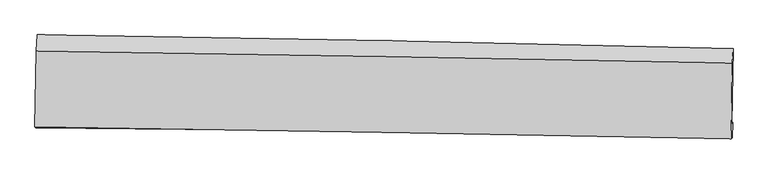
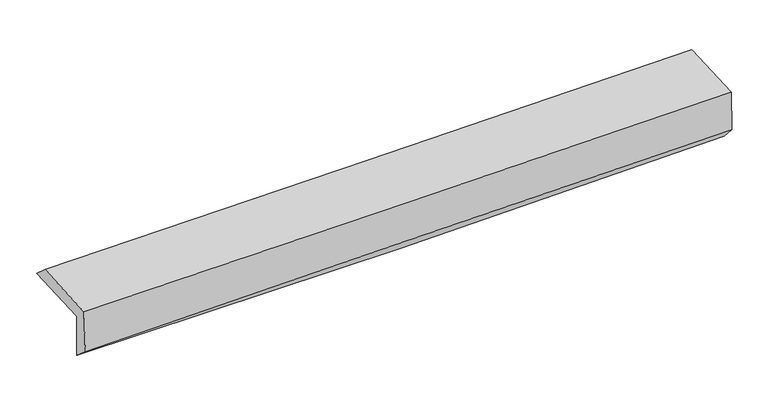
"""IFC4 building model written with IfcOpenShell, lengths in millimetres: proxy geometry."""

from ifc_helpers import new_model, si_unit, frame, origin, place, context, project, spatial, source, transform, mapped, element, save
from ifc_brep_helpers import plane_surface, spline_curve, spline_surface, advanced_brep


def generic_models_eaf1be20(model_context):
    return source(origin(), model_context, "Body", "AdvancedBrep", [
        advanced_brep(
        [(-3033.3057915, -1757.0601369, 1964.6528733), (-3019.7461355, -1087.4335761, 1982.440643), (3021.1201215, -1206.0912435, 2119.979408), (3009.2665948, -1864.313136, 2102.5300442), (-3023.6980161, -1746.6358793, 1564.9041704), (3019.0237276, -1850.8937712, 1698.8086877), (-3029.7824734, -1896.1499518, 1691.0658523), (3013.0095522, -1984.3556776, 1848.6016661), (-3038.9818925, -1888.7282677, 2089.2884817), (3003.8646226, -1994.2777561, 2229.0928423), (-3025.6334081, -1229.5301493, 2106.7992332), (3015.7937211, -1331.8593913, 2246.653454)],
        [
            (0, 1),
            (1, 2, spline_curve(3, [(-3019.7461355, -1087.4335761, 1982.440643), (-2012.515404112, -1100.496237785, 1987.828402581), (-1005.534896739, -1116.914644471, 2001.982222896), (1008.087268971, -1156.46612287, 2047.825663596), (2014.728847503, -1179.600271873, 2079.518098341), (3021.1201215, -1206.0912435, 2119.979408)], [4, 2, 4], [0.0, 9.914859152249388, 19.831309834612057])),
            (2, 3),
            (3, 0, spline_curve(3, [(3009.2665948, -1864.313136, 2102.5300442), (2002.497087872, -1846.312710432, 2061.83823557), (995.524207991, -1828.374035239, 2030.002355746), (-1018.666652919, -1792.623055499, 1984.046140997), (-2025.884568236, -1774.810730722, 1969.922963994), (-3033.3057915, -1757.0601369, 1964.6528733)], [4, 2, 4], [0.0, 9.916450682362669, 19.831309834612057])),
            (4, 0),
            (3, 5),
            (5, 4, spline_curve(3, [(3019.0237276, -1850.8937712, 1698.8086877), (2012.2786195, -1832.527229398, 1657.451125737), (1005.30548927, -1814.65514312, 1625.613503205), (-1008.935165402, -1779.902671284, 1580.981719648), (-2016.202616431, -1763.022126706, 1568.184502935), (-3023.6980161, -1746.6358793, 1564.9041704)], [4, 2, 4], [0.0, 9.917709880564582, 19.83382802892222])),
            (6, 4),
            (5, 7),
            (7, 6, spline_curve(3, [(3013.0095522, -1984.3556776, 1848.6016661), (2006.089063805, -1960.152385678, 1817.897455564), (999.022392808, -1940.700053959, 1789.416490724), (-1015.241662461, -1911.299670122, 1736.90526608), (-2022.439000055, -1901.350093167, 1712.874293348), (-3029.7824734, -1896.1499518, 1691.0658523)], [4, 2, 4], [0.0, 9.917794546224453, 19.83399734665364])),
            (8, 6),
            (7, 9),
            (9, 8, spline_curve(3, [(3003.8646226, -1994.2777561, 2229.0928423), (1996.792224224, -1973.140462465, 2202.131111794), (989.645063103, -1953.77546146, 2176.999095016), (-1024.637132901, -1918.592867463, 2130.398228662), (-2031.772143001, -1902.774705813, 2108.928791909), (-3038.9818925, -1888.7282677, 2089.2884817)], [4, 2, 4], [0.0, 9.917915209392755, 19.834238653624535])),
            (10, 8),
            (9, 11),
            (11, 10, spline_curve(3, [(3015.7937211, -1331.8593913, 2246.653454), (2008.888481841, -1313.526038073, 2219.622622721), (1001.943194683, -1295.831291324, 2194.451902384), (-1011.865861252, -1261.721748883, 2147.834426027), (-2018.729616839, -1245.306748078, 2126.387072563), (-3025.6334081, -1229.5301493, 2106.7992332)], [4, 2, 4], [0.0, 9.916580853205266, 19.831570155405622])),
            (1, 10),
            (11, 2),
        ],
        [
            spline_surface(3, 3, [[(-3033.3057915, -1757.0601369, 1964.6528733), (-2025.884568219, -1774.810730804, 1969.922964088), (-1018.666652806, -1792.62305543, 1984.046141101), (995.524207879, -1828.374035308, 2030.002355642), (2002.497087946, -1846.312710387, 2061.838235612), (3009.2665948, -1864.313136, 2102.5300442)], [(-3028.78590619, -1533.851283287, 1970.582129877), (-2021.428180203, -1550.039233067, 1975.891443649), (-1014.289400856, -1567.386918423, 1990.024835074), (999.711894941, -1604.404731135, 2035.943458277), (2006.574341164, -1624.075230849, 2067.731523184), (3013.21777038, -1644.905838482, 2108.346498822)], [(-3024.26602081, -1310.642429713, 1976.511386423), (-2016.971792116, -1325.267735368, 1981.85992318), (-1009.912148844, -1342.150781488, 1996.00352901), (1003.899582064, -1380.435427033, 2041.884560874), (2010.651594341, -1401.837751365, 2073.62481069), (3017.16894592, -1425.498541018, 2114.162953378)], [(-3019.7461355, -1087.4335761, 1982.440643), (-2012.515404099, -1100.496237632, 1987.828402741), (-1005.534896893, -1116.914644481, 2001.982222983), (1008.087269126, -1156.46612286, 2047.825663509), (2014.728847558, -1179.600271827, 2079.518098262), (3021.1201215, -1206.0912435, 2119.979408)]], [4, 4], [4, 2, 4], [0.0, 2.211835502414793], [0.0, 9.914859152249388, 19.831309834612057]),
            spline_surface(3, 3, [[(-3023.6980161, -1746.6358793, 1564.9041704), (-2016.202616301, -1763.022126783, 1568.184502937), (-1008.935165282, -1779.902671245, 1580.981719637), (1005.30548915, -1814.655143159, 1625.613503215), (2012.278619341, -1832.527229366, 1657.451125579), (3019.0237276, -1850.8937712, 1698.8086877)], [(-3026.900607878, -1750.110631826, 1698.153738049), (-2019.429933585, -1766.951661449, 1702.097323336), (-1012.178994464, -1784.1427993, 1715.336526801), (1002.045062051, -1819.228107202, 1760.409787366), (2009.018108863, -1837.122389714, 1792.246828913), (3015.771349987, -1855.366892807, 1833.382473189)], [(-3030.103199722, -1753.585384374, 1831.403305651), (-2022.657250935, -1770.881196138, 1836.010143689), (-1015.422823624, -1788.382927375, 1849.691333937), (998.784634977, -1823.801071265, 1895.20607149), (2005.757598424, -1841.71755004, 1927.042532279), (3012.518972413, -1859.840014393, 1967.956258711)], [(-3033.3057915, -1757.0601369, 1964.6528733), (-2025.884568219, -1774.810730804, 1969.922964088), (-1018.666652806, -1792.62305543, 1984.046141101), (995.524207879, -1828.374035308, 2030.002355642), (2002.497087946, -1846.312710387, 2061.838235612), (3009.2665948, -1864.313136, 2102.5300442)]], [4, 4], [4, 2, 4], [0.0, 1.32565920344413], [0.0, 9.916118148357638, 19.83382802892222]),
            spline_surface(3, 3, [[(-3029.7824734, -1896.1499518, 1691.0658523), (-2022.439000162, -1901.350093323, 1712.87429324), (-1015.241662544, -1911.299670186, 1736.905266222), (999.02239289, -1940.700053895, 1789.416490583), (2006.089063841, -1960.152385658, 1817.897455524), (3013.0095522, -1984.3556776, 1848.6016661)], [(-3027.754320984, -1846.31192763, 1649.011958335), (-2020.360205559, -1855.24077114, 1664.644363141), (-1013.139496774, -1867.500670554, 1684.930750686), (1001.116758326, -1898.685083664, 1734.815494786), (2008.15224902, -1917.610666886, 1764.415345557), (3015.014277346, -1939.868375459, 1798.670673314)], [(-3025.726168516, -1796.47390347, 1606.958064365), (-2018.281410904, -1809.131448966, 1616.414433036), (-1011.037331052, -1823.701670878, 1632.956235173), (1003.211123714, -1856.67011339, 1680.214499012), (2010.215434162, -1875.068948138, 1710.933235547), (3017.019002454, -1895.381073341, 1748.739680486)], [(-3023.6980161, -1746.6358793, 1564.9041704), (-2016.202616301, -1763.022126783, 1568.184502937), (-1008.935165282, -1779.902671245, 1580.981719637), (1005.30548915, -1814.655143159, 1625.613503215), (2012.278619341, -1832.527229366, 1657.451125579), (3019.0237276, -1850.8937712, 1698.8086877)]], [4, 4], [4, 2, 4], [0.0, 0.673692047969625], [0.0, 9.916202800429186, 19.83399734665364]),
            spline_surface(3, 3, [[(-3038.9818925, -1888.7282677, 2089.2884817), (-2031.772143161, -1902.774705805, 2108.928791967), (-1024.637132739, -1918.592867467, 2130.398228703), (989.645062941, -1953.775461456, 2176.999094975), (1996.792224251, -1973.140462538, 2202.131111758), (3003.8646226, -1994.2777561, 2229.0928423)], [(-3035.915419472, -1891.202162428, 1956.547605226), (-2028.6610955, -1902.299835006, 1976.910625717), (-1021.505309327, -1916.161801717, 1999.233907879), (992.770839604, -1949.41699228, 2047.804893514), (1999.891170774, -1968.811103565, 2074.053226337), (3006.91293246, -1990.970396587, 2102.262450224)], [(-3032.848946428, -1893.676057072, 1823.806728774), (-2025.550047823, -1901.824964122, 1844.89245949), (-1018.373485956, -1913.730735936, 1868.069587046), (995.896616227, -1945.058523071, 1918.610692044), (2002.990117318, -1964.481744631, 1945.975340945), (3009.96124234, -1987.663037113, 1975.432058176)], [(-3029.7824734, -1896.1499518, 1691.0658523), (-2022.439000162, -1901.350093323, 1712.87429324), (-1015.241662544, -1911.299670186, 1736.905266222), (999.02239289, -1940.700053895, 1789.416490583), (2006.089063841, -1960.152385658, 1817.897455524), (3013.0095522, -1984.3556776, 1848.6016661)]], [4, 4], [4, 2, 4], [0.0, 1.2820959137169279], [0.0, 9.91632344423178, 19.834238653624535]),
            spline_surface(3, 3, [[(-3025.6334081, -1229.5301493, 2106.7992332), (-2018.729616981, -1245.306748238, 2126.387072453), (-1011.865861246, -1261.721748924, 2147.83442592), (1001.943194677, -1295.831291283, 2194.451902492), (2008.888482004, -1313.526037942, 2219.62262263), (3015.7937211, -1331.8593913, 2246.653454)], [(-3030.082902887, -1449.262855426, 2100.962316017), (-2023.077125694, -1464.462734087, 2120.567645608), (-1016.122951774, -1480.678788426, 2142.022360163), (997.843817401, -1515.146014662, 2188.634299969), (2004.856396081, -1533.397512834, 2213.792119), (3011.817354928, -1552.665512927, 2240.79991676)], [(-3034.532397713, -1668.995561574, 2095.125398883), (-2027.424634448, -1683.618719957, 2114.748218812), (-1020.380042211, -1699.635827964, 2136.210294459), (993.744440217, -1734.460738077, 2182.816697498), (2000.824310174, -1753.268987646, 2207.961615389), (3007.840988772, -1773.471634473, 2234.94637954)], [(-3038.9818925, -1888.7282677, 2089.2884817), (-2031.772143161, -1902.774705805, 2108.928791967), (-1024.637132739, -1918.592867467, 2130.398228703), (989.645062941, -1953.775461456, 2176.999094975), (1996.792224251, -1973.140462538, 2202.131111758), (3003.8646226, -1994.2777561, 2229.0928423)]], [4, 4], [4, 2, 4], [0.0, 2.1580005980618853], [0.0, 9.914989302200356, 19.831570155405622]),
            spline_surface(3, 3, [[(-3019.7461355, -1087.4335761, 1982.440643), (-2012.515404099, -1100.496237632, 1987.828402741), (-1005.534896893, -1116.914644481, 2001.982222983), (1008.087269126, -1156.46612286, 2047.825663509), (2014.728847558, -1179.600271827, 2079.518098262), (3021.1201215, -1206.0912435, 2119.979408)], [(-3021.70855969, -1134.799100502, 2023.893506396), (-2014.586808383, -1148.766407836, 2034.014625974), (-1007.645218315, -1165.183679313, 2050.599623962), (1006.039244339, -1202.921179018, 2096.701076504), (2012.782059039, -1224.24219387, 2126.219606375), (3019.344654699, -1248.013959438, 2162.20408999)], [(-3023.67098391, -1182.164624898, 2065.346369804), (-2016.658212697, -1197.036578034, 2080.200849219), (-1009.755539825, -1213.452714092, 2099.21702494), (1003.991219464, -1249.376235125, 2145.576489497), (2010.835270523, -1268.884115899, 2172.921114517), (3017.569187901, -1289.936675362, 2204.42877201)], [(-3025.6334081, -1229.5301493, 2106.7992332), (-2018.729616981, -1245.306748238, 2126.387072453), (-1011.865861246, -1261.721748924, 2147.83442592), (1001.943194677, -1295.831291283, 2194.451902492), (2008.888482004, -1313.526037942, 2219.62262263), (3015.7937211, -1331.8593913, 2246.653454)]], [4, 4], [4, 2, 4], [0.0, 0.6692686649831865], [0.0, 9.91364732307261, 19.828885981736054]),
            plane_surface(frame((3013.6797233, -1705.2984959, 2040.9443504), z_axis=(0.9995494468285921, -0.018624281741947735, 0.023538043127077427), x_axis=(0.0240194383341286, 0.026060643942630062, -0.9993717573653003))),
            plane_surface(frame((-3028.5246195, -1600.9229935, 1899.8585423), z_axis=(-0.999506617337554, 0.020863267781063313, -0.023478627641665428), x_axis=(-0.020238292431512945, -0.9994426281156868, -0.02654891004665681))),
        ],
        [
            (0, [[1, 2, 3, 4]]),
            (1, [[5, -4, 6, 7]]),
            (2, [[8, -7, 9, 10]]),
            (3, [[11, -10, 12, 13]]),
            (4, [[14, -13, 15, 16]]),
            (5, [[17, -16, 18, -2]]),
            (6, [[-12, -9, -6, -3, -18, -15]]),
            (7, [[-1, -5, -8, -11, -14, -17]]),
        ],
    ),
    ])


if __name__ == "__main__":
    model = new_model("IFC4")
    model_context = context("Model", 3, world=origin())
    ifc_project = project(units=[si_unit("LENGTHUNIT", "METRE", prefix="MILLI")], contexts=[model_context])
    site = spatial("IfcSite", under=ifc_project)
    building = spatial("IfcBuilding", under=site)
    placement = place(None, origin())
    generic_models_shape = generic_models_eaf1be20(model_context)
    element("IfcBuildingElementProxy", 1, Name="Generic Models", at=placement, inside=building, context=model_context, shape_type="MappedRepresentation", body=[
        mapped(generic_models_shape, transform((0.0, 0.0, 0.0), x_axis=(1.0, 0.0, 0.0), y_axis=(0.0, 1.0, 0.0), z_axis=(0.0, 0.0, 1.0))),
    ])
    save(model, "model.ifc")
